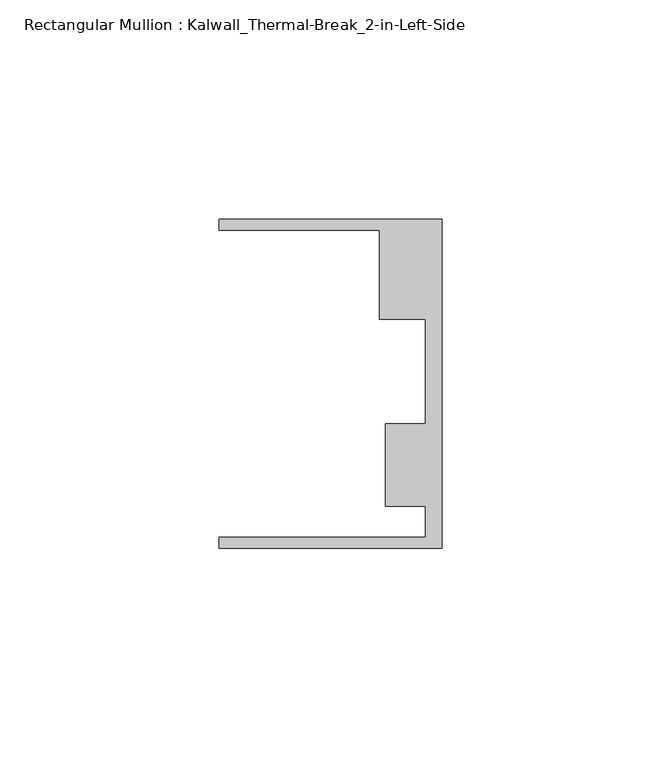
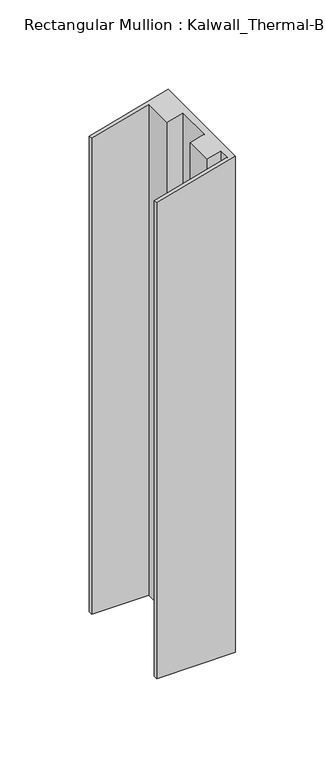
"""IFC4 building model written with IfcOpenShell, lengths in millimetres: member geometry, Rectangular Mullion : Kalwall_Thermal-Break_2-in-Left-Side."""

import ifcopenshell
import ifcopenshell.guid

model = None  # the IFC model being written
_history = None  # IfcOwnerHistory: only IFC2X3 demands one
_inside = {}  # id of a spatial element -> (the spatial element, [elements in it])
_under = {}  # id of a project, library or spatial element -> (it, [spatial elements below it])
_declared = {}  # id of a project -> (the project, [libraries it declares])
_typed = {}  # id of a type object -> (the type object, [elements of that type])
_made_of = {}  # id of a material, layer set ... -> (it, [elements and type objects made of it])


def new_model(schema):
    """Start an empty IFC model of exactly this schema.

    Asked for "IFC4X3", IfcOpenShell would pick the latest addendum, in which some entities
    have other attributes; the version numbers below select the first issue.
    IFC2X3 requires an IfcOwnerHistory on every rooted entity: one is made here for all.
    """
    global model, _history
    if schema == "IFC4X3":
        model = ifcopenshell.file(schema_version=(4, 3, 0, 0))
    else:
        model = ifcopenshell.file(schema=schema)
    _inside.clear()
    _under.clear()
    _declared.clear()
    _typed.clear()
    _made_of.clear()
    _history = None
    if model.schema == "IFC2X3":
        org = make("IfcOrganization", Name="unknown")
        user = make(
            "IfcPersonAndOrganization",
            ThePerson=make("IfcPerson", FamilyName="unknown"),
            TheOrganization=org,
        )
        app = make(
            "IfcApplication",
            ApplicationDeveloper=org,
            Version="unknown",
            ApplicationFullName="unknown",
            ApplicationIdentifier="unknown",
        )
        _history = make(
            "IfcOwnerHistory",
            OwningUser=user,
            OwningApplication=app,
            ChangeAction="ADDED",
            CreationDate=0,
        )
    return model


def make(cls, **values):
    """One entity of the class cls with the attributes given. An attribute that is None is left unset."""
    return model.create_entity(
        cls, **{name: value for name, value in values.items() if value is not None}
    )


def rooted(cls, **values):
    """An entity with a GlobalId (a new one), such as an element, a storey or a relation."""
    return make(cls, GlobalId=ifcopenshell.guid.new(), OwnerHistory=_history, **values)


def si_unit(unit_type, name, prefix=None):
    """IfcSIUnit, for example si_unit("LENGTHUNIT", "METRE", prefix="MILLI")."""
    return make("IfcSIUnit", UnitType=unit_type, Prefix=prefix, Name=name)


def assignment(units):
    """IfcUnitAssignment: the units of a project."""
    return None if units is None else make("IfcUnitAssignment", Units=units)


def point(xyz):
    """IfcCartesianPoint."""
    return None if xyz is None else make("IfcCartesianPoint", Coordinates=xyz)


def direction(xyz):
    """IfcDirection."""
    return None if xyz is None else make("IfcDirection", DirectionRatios=xyz)


def frame(location, z_axis=None, x_axis=None):
    """IfcAxis2Placement3D, a coordinate frame: its origin and axes. An axis left out is left unset."""
    return make(
        "IfcAxis2Placement3D",
        Location=point(location),
        Axis=direction(z_axis),
        RefDirection=direction(x_axis),
    )


def origin():
    """The frame at (0, 0, 0) with its axes left unset."""
    return frame((0.0, 0.0, 0.0))


def place(relative_to, where):
    """IfcLocalPlacement: puts the frame where relative to a parent placement (None: the world)."""
    return make(
        "IfcLocalPlacement", PlacementRelTo=relative_to, RelativePlacement=where
    )


def context(
    kind, dimensions, precision=None, world=None, true_north=None, identifier=None
):
    """IfcGeometricRepresentationContext, for example the 3D "Model" context."""
    return make(
        "IfcGeometricRepresentationContext",
        ContextIdentifier=identifier,
        ContextType=kind,
        CoordinateSpaceDimension=dimensions,
        Precision=precision,
        WorldCoordinateSystem=world,
        TrueNorth=true_north,
    )


def project(units=None, contexts=None):
    """IfcProject with its units and contexts."""
    return rooted(
        "IfcProject",
        Name="project",
        RepresentationContexts=contexts,
        UnitsInContext=assignment(units),
    )


def spatial(cls, under=None, at=None, **own):
    """A site, building, storey or space (cls), placed at a placement, below another one or the project."""
    s = rooted(cls, ObjectPlacement=at, **own)
    if under is not None:
        _under.setdefault(under.id(), (under, []))[1].append(s)
    return s


def faces_of(points, faces, orient=None, outer=None):
    """IfcFace entities. A face is a list of loops; a loop is a list of indices into points, from 0.

    orient and outer hold one flag for each loop. By default every Orientation is true, the
    first loop of a face is its IfcFaceOuterBound and the others are IfcFaceBound.
    """
    made = []
    for i, loops in enumerate(faces):
        bounds = []
        for j, loop in enumerate(loops):
            is_outer = j == 0 if outer is None else outer[i][j]
            bounds.append(
                make(
                    "IfcFaceOuterBound" if is_outer else "IfcFaceBound",
                    Bound=make("IfcPolyLoop", Polygon=[points[k] for k in loop]),
                    Orientation=True if orient is None else orient[i][j],
                )
            )
        made.append(make("IfcFace", Bounds=bounds))
    return made


def faceted_brep(points, faces, orient=None, outer=None, voids=None):
    """IfcFacetedBrep: a solid bounded by flat faces; with voids (closed shells), ...WithVoids."""
    shared = [point(p) for p in points]
    hull = make("IfcClosedShell", CfsFaces=faces_of(shared, faces, orient, outer))
    if voids is None:
        return make("IfcFacetedBrep", Outer=hull)
    return make(
        "IfcFacetedBrepWithVoids",
        Outer=hull,
        Voids=[
            make(cls, CfsFaces=faces_of(shared, fs, o, b)) for cls, fs, o, b in voids
        ],
    )


def shape(context_of_items, identifier, shape_type, items):
    """IfcShapeRepresentation: the items that make up one representation, for example the "Body"."""
    return make(
        "IfcShapeRepresentation",
        ContextOfItems=context_of_items,
        RepresentationIdentifier=identifier,
        RepresentationType=shape_type,
        Items=items,
    )


def source(mapping_origin, context_of_items, identifier, shape_type, items):
    """IfcRepresentationMap: a shape defined once, which mapped items show again and again."""
    return make(
        "IfcRepresentationMap",
        MappingOrigin=mapping_origin,
        MappedRepresentation=shape(context_of_items, identifier, shape_type, items),
    )


def transform(
    local_origin,
    x_axis=None,
    y_axis=None,
    z_axis=None,
    scale=None,
    scale2=None,
    scale3=None,
    uniform=True,
):
    """IfcCartesianTransformationOperator3D, or its non-uniform kind. x_axis, y_axis, z_axis: its Axis1, 2, 3."""
    if uniform:
        return make(
            "IfcCartesianTransformationOperator3D",
            Axis1=direction(x_axis),
            Axis2=direction(y_axis),
            LocalOrigin=point(local_origin),
            Scale=scale,
            Axis3=direction(z_axis),
        )
    return make(
        "IfcCartesianTransformationOperator3DnonUniform",
        Axis1=direction(x_axis),
        Axis2=direction(y_axis),
        LocalOrigin=point(local_origin),
        Scale=scale,
        Axis3=direction(z_axis),
        Scale2=scale2,
        Scale3=scale3,
    )


def mapped(mapping_source, mapping_target):
    """IfcMappedItem: shows the shape of a source again, moved by a transform."""
    return make(
        "IfcMappedItem", MappingSource=mapping_source, MappingTarget=mapping_target
    )


def made_of(thing, what):
    """Note that an element or type object is made of a material, layer set ...; save() writes the relation."""
    if what is not None:
        _made_of.setdefault(what.id(), (what, []))[1].append(thing)
    return thing


def element(
    cls,
    number,
    at=None,
    inside=None,
    cuts=None,
    type_object=None,
    material=None,
    context=None,
    identifier="Body",
    shape_type=None,
    held_by="IfcProductDefinitionShape",
    body=None,
    shapes=None,
    **own,
):
    """One element of the class cls, such as IfcWall. Its Tag is "e" and its number.

    at: its placement. inside: the storey or other place that contains it. cuts: it is an
    opening in that element (IfcRelVoidsElement). A single representation is given by context,
    identifier, shape_type and body (its items); several are given by shapes. held_by: the class
    of the entity that holds the representations. save() writes the other relations.
    """
    e = rooted(cls, Tag="e%d" % number, ObjectPlacement=at, **own)
    if body is not None:
        shapes = [shape(context, identifier, shape_type, body)]
    if shapes is not None:
        e.Representation = make(held_by, Representations=shapes)
    if inside is not None:
        _inside.setdefault(inside.id(), (inside, []))[1].append(e)
    if cuts is not None:
        rooted(
            "IfcRelVoidsElement", RelatingBuildingElement=cuts, RelatedOpeningElement=e
        )
    if type_object is not None:
        _typed.setdefault(type_object.id(), (type_object, []))[1].append(e)
    return made_of(e, material)


def aggregate(whole, parts):
    """IfcRelAggregates: a whole, such as a stair, and the parts it consists of."""
    return rooted("IfcRelAggregates", RelatingObject=whole, RelatedObjects=parts)


def save(model, path):
    """Write the relations noted so far, then the file.

    IfcRelAggregates (storeys below a building ...), IfcRelContainedInSpatialStructure (elements
    in a storey), IfcRelDefinesByType, IfcRelAssociatesMaterial and IfcRelDeclares: one each for
    every whole, place, type object, material and project.
    """
    for whole, parts in _under.values():
        aggregate(whole, parts)
    for where, things in _inside.values():
        rooted(
            "IfcRelContainedInSpatialStructure",
            RelatedElements=things,
            RelatingStructure=where,
        )
    for kind, things in _typed.values():
        rooted("IfcRelDefinesByType", RelatedObjects=things, RelatingType=kind)
    for what, things in _made_of.values():
        rooted("IfcRelAssociatesMaterial", RelatedObjects=things, RelatingMaterial=what)
    for by, libraries in _declared.values():
        rooted("IfcRelDeclares", RelatingContext=by, RelatedDefinitions=libraries)
    model.write(path)


def rectangular_mullion_kalwall_thermal_break_2_in_left_side_73da00f5(model_context):
    return source(origin(), model_context, "Body", "Brep", [
        faceted_brep([(0.0, -37.5776386, -338.5062871), (-50.8, -37.5776386, -338.5062871), (-50.8, -35.0376386, -338.5062871), (-3.7084, -35.0376386, -338.5062871), (-3.7084, -27.8888568, -338.5062871), (-12.8272539, -27.8888568, -338.5062871), (-12.8272539, -9.1879886, -338.5062871), (-3.7084, -9.1879886, -338.5062871), (-3.7084, 14.7439614, -338.5062871), (-14.1732, 14.7439614, -338.5062871), (-14.1732, 34.9623614, -338.5062871), (-50.8, 34.9623614, -338.5062871), (-50.8, 37.5023614, -338.5062871), (0.0, 37.5023614, -338.5062871), (0.0, 37.5023614, 0.0), (0.0, -37.5776386, 0.0), (-50.8, 37.5023614, -14.0338067), (-50.8, 34.9623614, -14.0338067), (-14.1732, 34.9623614, -3.9154321), (-14.1732, 14.7439614, -3.9154321), (-3.7084, 14.7439614, -1.0244679), (-3.7084, -9.1879886, -1.0244679), (-12.8272539, -9.1879886, -3.5436063), (-12.8272539, -27.8888568, -3.5436063), (-3.7084, -27.8888568, -1.0244679), (-3.7084, -35.0376386, -1.0244679), (-50.8, -35.0376386, -14.0338067), (-50.8, -37.5776386, -14.0338067)], [[[0, 1, 2, 3, 4, 5, 6, 7, 8, 9, 10, 11, 12, 13]], [[14, 15, 0, 13]], [[16, 14, 13, 12]], [[17, 16, 12, 11]], [[18, 17, 11, 10]], [[19, 18, 10, 9]], [[20, 19, 9, 8]], [[21, 20, 8, 7]], [[22, 21, 7, 6]], [[23, 22, 6, 5]], [[24, 23, 5, 4]], [[25, 24, 4, 3]], [[26, 25, 3, 2]], [[27, 26, 2, 1]], [[15, 27, 1, 0]], [[15, 14, 16, 17, 18, 19, 20, 21, 22, 23, 24, 25, 26, 27]]]),
    ])


if __name__ == "__main__":
    model = new_model("IFC4")
    model_context = context("Model", 3, world=origin())
    ifc_project = project(units=[si_unit("LENGTHUNIT", "METRE", prefix="MILLI")], contexts=[model_context])
    site = spatial("IfcSite", under=ifc_project)
    building = spatial("IfcBuilding", under=site)
    placement = place(None, origin())
    rectangular_mullion_kalwall_thermal_break_2_in_left_side_shape = rectangular_mullion_kalwall_thermal_break_2_in_left_side_73da00f5(model_context)
    element("IfcMember", 1, ObjectType="Rectangular Mullion : Kalwall_Thermal-Break_2-in-Left-Side", at=placement, inside=building, context=model_context, shape_type="MappedRepresentation", body=[
        mapped(rectangular_mullion_kalwall_thermal_break_2_in_left_side_shape, transform((0.0, 0.0, 0.0), x_axis=(1.0, 0.0, 0.0), y_axis=(0.0, 1.0, 0.0), z_axis=(0.0, 0.0, 1.0))),
    ])
    save(model, "model.ifc")
